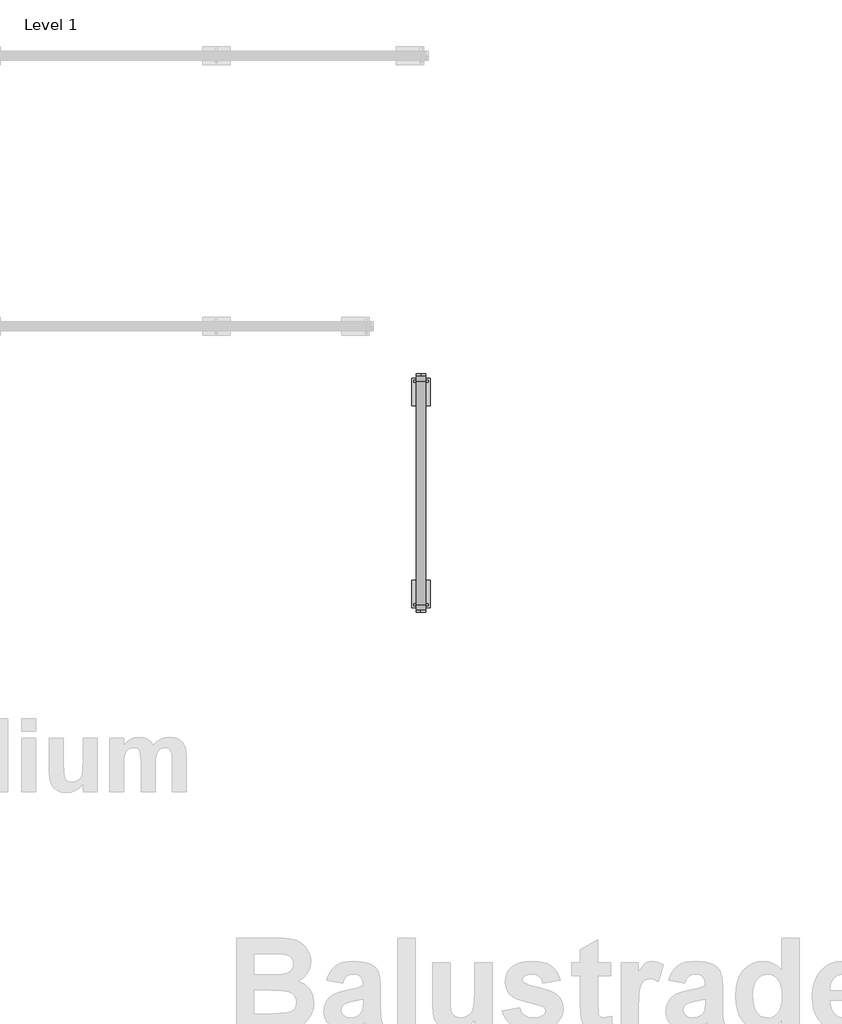
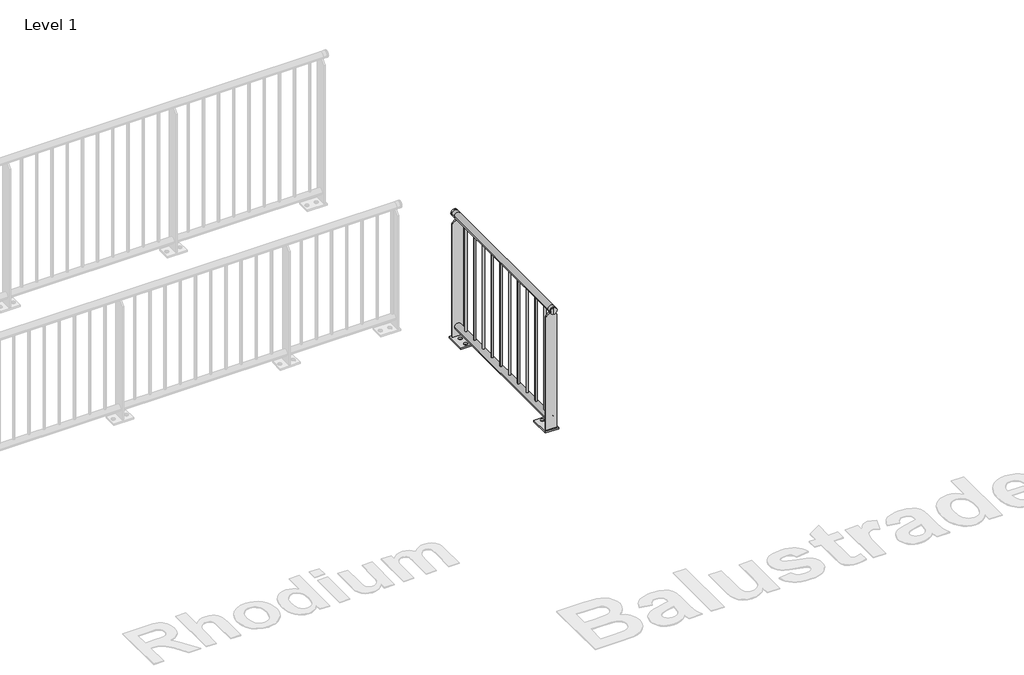
# One storey, part 1 of 20: 1 railing.
"""IFC4 building model written with IfcOpenShell, lengths in millimetres."""

import ifcopenshell
import ifcopenshell.guid

model = None  # the IFC model being written
_history = None  # IfcOwnerHistory: only IFC2X3 demands one
_inside = {}  # id of a spatial element -> (the spatial element, [elements in it])
_under = {}  # id of a project, library or spatial element -> (it, [spatial elements below it])
_declared = {}  # id of a project -> (the project, [libraries it declares])
_typed = {}  # id of a type object -> (the type object, [elements of that type])
_made_of = {}  # id of a material, layer set ... -> (it, [elements and type objects made of it])


def new_model(schema):
    """Start an empty IFC model of exactly this schema.

    Asked for "IFC4X3", IfcOpenShell would pick the latest addendum, in which some entities
    have other attributes; the version numbers below select the first issue.
    IFC2X3 requires an IfcOwnerHistory on every rooted entity: one is made here for all.
    """
    global model, _history
    if schema == "IFC4X3":
        model = ifcopenshell.file(schema_version=(4, 3, 0, 0))
    else:
        model = ifcopenshell.file(schema=schema)
    _inside.clear()
    _under.clear()
    _declared.clear()
    _typed.clear()
    _made_of.clear()
    _history = None
    if model.schema == "IFC2X3":
        org = make("IfcOrganization", Name="unknown")
        user = make(
            "IfcPersonAndOrganization",
            ThePerson=make("IfcPerson", FamilyName="unknown"),
            TheOrganization=org,
        )
        app = make(
            "IfcApplication",
            ApplicationDeveloper=org,
            Version="unknown",
            ApplicationFullName="unknown",
            ApplicationIdentifier="unknown",
        )
        _history = make(
            "IfcOwnerHistory",
            OwningUser=user,
            OwningApplication=app,
            ChangeAction="ADDED",
            CreationDate=0,
        )
    return model


def make(cls, **values):
    """One entity of the class cls with the attributes given. An attribute that is None is left unset."""
    return model.create_entity(
        cls, **{name: value for name, value in values.items() if value is not None}
    )


def rooted(cls, **values):
    """An entity with a GlobalId (a new one), such as an element, a storey or a relation."""
    return make(cls, GlobalId=ifcopenshell.guid.new(), OwnerHistory=_history, **values)


def si_unit(unit_type, name, prefix=None):
    """IfcSIUnit, for example si_unit("LENGTHUNIT", "METRE", prefix="MILLI")."""
    return make("IfcSIUnit", UnitType=unit_type, Prefix=prefix, Name=name)


def assignment(units):
    """IfcUnitAssignment: the units of a project."""
    return None if units is None else make("IfcUnitAssignment", Units=units)


def point(xyz):
    """IfcCartesianPoint."""
    return None if xyz is None else make("IfcCartesianPoint", Coordinates=xyz)


def direction(xyz):
    """IfcDirection."""
    return None if xyz is None else make("IfcDirection", DirectionRatios=xyz)


def frame(location, z_axis=None, x_axis=None):
    """IfcAxis2Placement3D, a coordinate frame: its origin and axes. An axis left out is left unset."""
    return make(
        "IfcAxis2Placement3D",
        Location=point(location),
        Axis=direction(z_axis),
        RefDirection=direction(x_axis),
    )


def frame_2d(location, x_axis=None):
    """IfcAxis2Placement2D, a coordinate frame in the plane: its origin and x axis."""
    return make(
        "IfcAxis2Placement2D", Location=point(location), RefDirection=direction(x_axis)
    )


def origin():
    """The frame at (0, 0, 0) with its axes left unset."""
    return frame((0.0, 0.0, 0.0))


def origin_with_axes():
    """The frame at (0, 0, 0) with the z axis (0, 0, 1) and the x axis (1, 0, 0) written out."""
    return frame((0.0, 0.0, 0.0), z_axis=(0.0, 0.0, 1.0), x_axis=(1.0, 0.0, 0.0))


def place(relative_to, where):
    """IfcLocalPlacement: puts the frame where relative to a parent placement (None: the world)."""
    return make(
        "IfcLocalPlacement", PlacementRelTo=relative_to, RelativePlacement=where
    )


def context(
    kind, dimensions, precision=None, world=None, true_north=None, identifier=None
):
    """IfcGeometricRepresentationContext, for example the 3D "Model" context."""
    return make(
        "IfcGeometricRepresentationContext",
        ContextIdentifier=identifier,
        ContextType=kind,
        CoordinateSpaceDimension=dimensions,
        Precision=precision,
        WorldCoordinateSystem=world,
        TrueNorth=true_north,
    )


def project(units=None, contexts=None):
    """IfcProject with its units and contexts."""
    return rooted(
        "IfcProject",
        Name="project",
        RepresentationContexts=contexts,
        UnitsInContext=assignment(units),
    )


def spatial(cls, under=None, at=None, **own):
    """A site, building, storey or space (cls), placed at a placement, below another one or the project."""
    s = rooted(cls, ObjectPlacement=at, **own)
    if under is not None:
        _under.setdefault(under.id(), (under, []))[1].append(s)
    return s


def polyline(points):
    """IfcPolyline through the points."""
    return make("IfcPolyline", Points=[point(p) for p in points])


def circle_curve(where, radius):
    """IfcCircle in the frame where."""
    return make("IfcCircle", Position=where, Radius=radius)


def trimmed(basis, trim1, trim2, sense, master):
    """IfcTrimmedCurve: the piece of a basis curve between two trims."""
    return make(
        "IfcTrimmedCurve",
        BasisCurve=basis,
        Trim1=trim1,
        Trim2=trim2,
        SenseAgreement=sense,
        MasterRepresentation=master,
    )


def segment(curve, same_sense, transition):
    """IfcCompositeCurveSegment."""
    return make(
        "IfcCompositeCurveSegment",
        Transition=transition,
        SameSense=same_sense,
        ParentCurve=curve,
    )


def composite_curve(segments, self_intersect=None):
    """IfcCompositeCurve: segments joined end to end."""
    return make("IfcCompositeCurve", Segments=segments, SelfIntersect=self_intersect)


def outline(outer, holes=None, kind="AREA"):
    """IfcArbitraryClosedProfileDef: a profile drawn as a closed curve; with holes, ...WithVoids."""
    if holes is None:
        return make("IfcArbitraryClosedProfileDef", ProfileType=kind, OuterCurve=outer)
    return make(
        "IfcArbitraryProfileDefWithVoids",
        ProfileType=kind,
        OuterCurve=outer,
        InnerCurves=holes,
    )


def extrude(swept, where, along, depth):
    """IfcExtrudedAreaSolid: the profile swept, set in the frame where, extruded along a direction by depth."""
    return make(
        "IfcExtrudedAreaSolid",
        SweptArea=swept,
        Position=where,
        ExtrudedDirection=direction(along),
        Depth=depth,
    )


def shape(context_of_items, identifier, shape_type, items):
    """IfcShapeRepresentation: the items that make up one representation, for example the "Body"."""
    return make(
        "IfcShapeRepresentation",
        ContextOfItems=context_of_items,
        RepresentationIdentifier=identifier,
        RepresentationType=shape_type,
        Items=items,
    )


def made_of(thing, what):
    """Note that an element or type object is made of a material, layer set ...; save() writes the relation."""
    if what is not None:
        _made_of.setdefault(what.id(), (what, []))[1].append(thing)
    return thing


def element(
    cls,
    number,
    at=None,
    inside=None,
    cuts=None,
    type_object=None,
    material=None,
    context=None,
    identifier="Body",
    shape_type=None,
    held_by="IfcProductDefinitionShape",
    body=None,
    shapes=None,
    **own,
):
    """One element of the class cls, such as IfcWall. Its Tag is "e" and its number.

    at: its placement. inside: the storey or other place that contains it. cuts: it is an
    opening in that element (IfcRelVoidsElement). A single representation is given by context,
    identifier, shape_type and body (its items); several are given by shapes. held_by: the class
    of the entity that holds the representations. save() writes the other relations.
    """
    e = rooted(cls, Tag="e%d" % number, ObjectPlacement=at, **own)
    if body is not None:
        shapes = [shape(context, identifier, shape_type, body)]
    if shapes is not None:
        e.Representation = make(held_by, Representations=shapes)
    if inside is not None:
        _inside.setdefault(inside.id(), (inside, []))[1].append(e)
    if cuts is not None:
        rooted(
            "IfcRelVoidsElement", RelatingBuildingElement=cuts, RelatedOpeningElement=e
        )
    if type_object is not None:
        _typed.setdefault(type_object.id(), (type_object, []))[1].append(e)
    return made_of(e, material)


def aggregate(whole, parts):
    """IfcRelAggregates: a whole, such as a stair, and the parts it consists of."""
    return rooted("IfcRelAggregates", RelatingObject=whole, RelatedObjects=parts)


def save(model, path):
    """Write the relations noted so far, then the file.

    IfcRelAggregates (storeys below a building ...), IfcRelContainedInSpatialStructure (elements
    in a storey), IfcRelDefinesByType, IfcRelAssociatesMaterial and IfcRelDeclares: one each for
    every whole, place, type object, material and project.
    """
    for whole, parts in _under.values():
        aggregate(whole, parts)
    for where, things in _inside.values():
        rooted(
            "IfcRelContainedInSpatialStructure",
            RelatedElements=things,
            RelatingStructure=where,
        )
    for kind, things in _typed.values():
        rooted("IfcRelDefinesByType", RelatedObjects=things, RelatingType=kind)
    for what, things in _made_of.values():
        rooted("IfcRelAssociatesMaterial", RelatedObjects=things, RelatingMaterial=what)
    for by, libraries in _declared.values():
        rooted("IfcRelDeclares", RelatingContext=by, RelatedDefinitions=libraries)
    model.write(path)


def plane_surface(at):
    """IfcPlane: the flat surface through the origin of the frame at, square to its z axis."""
    return make("IfcPlane", Position=at)


def cylinder_surface(at, radius):
    """IfcCylindricalSurface: all points at the distance radius from the z axis of the frame at."""
    return make("IfcCylindricalSurface", Position=at, Radius=radius)


def advanced_brep(points, edges, surfaces, faces):
    """IfcAdvancedBrep: a solid bounded by faces that lie on surfaces and meet in shared edges.

    An edge is (start, end): straight between two places in points (the first is 0);
    or (start, end, curve); or (start, end, curve, False) where it runs against its curve.
    A face is (place in surfaces, loops), or (place, loops, False) where it looks against
    its surface's normal. A loop lists edges by number (the first is 1), with a minus sign
    where the edge is run from its end to its start. The first loop is the outer one.
    """
    corners = [point(p) for p in points]
    vertices = [make("IfcVertexPoint", VertexGeometry=c) for c in corners]
    made = []
    for start, end, *more in edges:
        made.append(
            make(
                "IfcEdgeCurve",
                EdgeStart=vertices[start],
                EdgeEnd=vertices[end],
                EdgeGeometry=more[0] if more else make("IfcPolyline", Points=[corners[start], corners[end]]),
                SameSense=more[1] if len(more) > 1 else True,
            )
        )
    hull = []
    for where, loops, *sense in faces:
        bounds = []
        for j, loop in enumerate(loops):
            ring = [make("IfcOrientedEdge", EdgeElement=made[abs(k) - 1], Orientation=k > 0) for k in loop]
            bounds.append(
                make(
                    "IfcFaceOuterBound" if j == 0 else "IfcFaceBound",
                    Bound=make("IfcEdgeLoop", EdgeList=ring),
                    Orientation=True,
                )
            )
        hull.append(make("IfcAdvancedFace", Bounds=bounds, FaceSurface=surfaces[where], SameSense=sense[0] if sense else True))
    return make("IfcAdvancedBrep", Outer=make("IfcClosedShell", CfsFaces=hull))


model = new_model("IFC4")

# Units and contexts
model_context = context("Model", 3, world=origin())
ifc_project = project(units=[si_unit("LENGTHUNIT", "METRE", prefix="MILLI")], contexts=[model_context])

# Site, building, storey
site = spatial("IfcSite", under=ifc_project)
building = spatial("IfcBuilding", under=site)
storey = spatial("IfcBuildingStorey", under=building, Name="Level 1", Elevation=0.0)

# Railing
placement = place(None, origin())
element("IfcRailing", 1, at=placement, inside=storey, context=model_context, shape_type="SolidModel", body=[
    advanced_brep(
    [(7260.6479588, -14745.6318854, 975.0), (7260.6479588, -14745.6318854, 1000.0), (7260.6479588, -14745.6318854, 950.0), (7260.6479588, -14755.6318854, 950.0), (7260.6479588, -14755.6318854, 1000.0), (7260.6479588, -14755.6318854, 975.0)],
    [
        (0, 1),
        (1, 2, circle_curve(frame((7260.6479588, -14745.6318854, 975.0), z_axis=(0.0, 1.0, 0.0), x_axis=(0.0, 0.0, 1.0)), 25.0)),
        (2, 0),
        (2, 1, circle_curve(frame((7260.6479588, -14745.6318854, 975.0), z_axis=(0.0, 1.0, 0.0), x_axis=(0.0, 0.0, 1.0)), 25.0)),
        (3, 4, circle_curve(frame((7260.6479588, -14755.6318854, 975.0), z_axis=(0.0, -1.0, 0.0), x_axis=(0.0, 0.0, 1.0)), 25.0)),
        (4, 5),
        (5, 3),
        (4, 3, circle_curve(frame((7260.6479588, -14755.6318854, 975.0), z_axis=(0.0, -1.0, 0.0), x_axis=(0.0, 0.0, 1.0)), 25.0)),
        (1, 4),
        (3, 2),
    ],
    [
        plane_surface(frame((7260.6479588, -14745.6318854, 975.0), z_axis=(0.0, 1.0, 0.0), x_axis=(0.0, 0.0, 1.0))),
        plane_surface(frame((7260.6479588, -14755.6318854, 975.0), z_axis=(0.0, -1.0, 0.0), x_axis=(0.0, 0.0, 1.0))),
        cylinder_surface(frame((7260.6479588, -14730.6318854, 975.0), z_axis=(0.0, 1.0, 0.0), x_axis=(0.0, 0.0, 1.0)), 25.0),
    ],
    [
        (0, [[1, 2, 3]]),
        (0, [[-3, 4, -1]]),
        (1, [[5, 6, 7]]),
        (1, [[8, -7, -6]]),
        (2, [[-2, 9, -5, 10]]),
        (2, [[-4, -10, -8, -9]]),
    ],
),
    advanced_brep(
    [(7260.6479588, -13460.6318854, 975.0), (7260.6479588, -13460.6318854, 1000.0), (7260.6479588, -13460.6318854, 950.0), (7260.6479588, -13450.6318854, 950.0), (7260.6479588, -13450.6318854, 1000.0), (7260.6479588, -13450.6318854, 975.0)],
    [
        (0, 1),
        (1, 2, circle_curve(frame((7260.6479588, -13460.6318854, 975.0), z_axis=(0.0, -1.0, 0.0), x_axis=(0.0, 0.0, 1.0)), 25.0)),
        (2, 0),
        (2, 1, circle_curve(frame((7260.6479588, -13460.6318854, 975.0), z_axis=(0.0, -1.0, 0.0), x_axis=(0.0, 0.0, 1.0)), 25.0)),
        (3, 4, circle_curve(frame((7260.6479588, -13450.6318854, 975.0), z_axis=(0.0, 1.0, 0.0), x_axis=(0.0, 0.0, 1.0)), 25.0)),
        (4, 5),
        (5, 3),
        (4, 3, circle_curve(frame((7260.6479588, -13450.6318854, 975.0), z_axis=(0.0, 1.0, 0.0), x_axis=(0.0, 0.0, 1.0)), 25.0)),
        (1, 4),
        (3, 2),
    ],
    [
        plane_surface(frame((7260.6479588, -13460.6318854, 975.0), z_axis=(0.0, -1.0, 0.0), x_axis=(0.0, 0.0, 1.0))),
        plane_surface(frame((7260.6479588, -13450.6318854, 975.0), z_axis=(0.0, 1.0, 0.0), x_axis=(0.0, 0.0, 1.0))),
        cylinder_surface(frame((7260.6479588, -13475.6318854, 975.0), z_axis=(0.0, -1.0, 0.0), x_axis=(0.0, 0.0, 1.0)), 25.0),
    ],
    [
        (0, [[1, 2, 3]]),
        (0, [[-3, 4, -1]]),
        (1, [[5, 6, 7]]),
        (1, [[8, -7, -6]]),
        (2, [[-2, 9, -5, 10]]),
        (2, [[-4, -10, -8, -9]]),
    ],
),
    advanced_brep(
    [(7235.6479588, -13460.6318854, 975.0), (7285.6479588, -13460.6318854, 975.0), (7235.6479588, -13490.6318854, 975.0), (7285.6479588, -13490.6318854, 975.0), (7235.6479588, -14715.6318854, 975.0), (7285.6479588, -14715.6318854, 975.0), (7235.6479588, -14745.6318854, 975.0), (7285.6479588, -14745.6318854, 975.0)],
    [
        (0, 1, circle_curve(frame((7260.6479588, -13460.6318854, 975.0), z_axis=(0.0, 1.0, 0.0), x_axis=(1.0, 0.0, 0.0)), 25.0)),
        (1, 0, circle_curve(frame((7260.6479588, -13460.6318854, 975.0), z_axis=(0.0, 1.0, 0.0), x_axis=(1.0, 0.0, 0.0)), 25.0)),
        (0, 2),
        (2, 3, circle_curve(frame((7260.6479588, -13490.6318854, 975.0), z_axis=(0.0, 1.0, 0.0), x_axis=(1.0, 0.0, 0.0)), 25.0)),
        (3, 1),
        (3, 2, circle_curve(frame((7260.6479588, -13490.6318854, 975.0), z_axis=(0.0, 1.0, 0.0), x_axis=(1.0, 0.0, 0.0)), 25.0)),
        (2, 4),
        (4, 5, circle_curve(frame((7260.6479588, -14715.6318854, 975.0), z_axis=(0.0, 1.0, 0.0), x_axis=(1.0, 0.0, 0.0)), 25.0)),
        (5, 3),
        (5, 4, circle_curve(frame((7260.6479588, -14715.6318854, 975.0), z_axis=(0.0, 1.0, 0.0), x_axis=(1.0, 0.0, 0.0)), 25.0)),
        (6, 7, circle_curve(frame((7260.6479588, -14745.6318854, 975.0), z_axis=(0.0, -1.0, 0.0), x_axis=(1.0, 0.0, 0.0)), 25.0)),
        (7, 6, circle_curve(frame((7260.6479588, -14745.6318854, 975.0), z_axis=(0.0, -1.0, 0.0), x_axis=(1.0, 0.0, 0.0)), 25.0)),
        (4, 6),
        (7, 5),
    ],
    [
        plane_surface(frame((7260.6479588, -13460.6318854, 1000.0), z_axis=(0.0, 1.0, 0.0), x_axis=(0.0, 0.0, -1.0))),
        cylinder_surface(frame((7260.6479588, -13460.6318854, 975.0), z_axis=(0.0, 1.0, 0.0), x_axis=(1.0, 0.0, 0.0)), 25.0),
        cylinder_surface(frame((7260.6479588, -13490.6318854, 975.0), z_axis=(0.0, 1.0, 0.0), x_axis=(1.0, 0.0, 0.0)), 25.0),
        plane_surface(frame((7260.6479588, -14745.6318854, 1000.0), z_axis=(0.0, -1.0, 0.0), x_axis=(0.0, 0.0, -1.0))),
        cylinder_surface(frame((7260.6479588, -14715.6318854, 975.0), z_axis=(0.0, 1.0, 0.0), x_axis=(1.0, 0.0, 0.0)), 25.0),
    ],
    [
        (0, [[1, 2]]),
        (1, [[-1, 3, 4, 5]]),
        (1, [[-2, -5, 6, -3]]),
        (2, [[-4, 7, 8, 9]]),
        (2, [[-6, -9, 10, -7]]),
        (3, [[11, 12]]),
        (4, [[-8, 13, -12, 14]]),
        (4, [[-10, -14, -11, -13]]),
    ],
),
    extrude(outline(composite_curve([segment(trimmed(circle_curve(frame_2d((90.0, 7260.6479588)), 25.0), [point((90.0, 7285.6479588))], [point((90.0, 7235.6479588))], False, "CARTESIAN"), True, "CONTINUOUS"), segment(trimmed(circle_curve(frame_2d((90.0, 7260.6479588)), 25.0), [point((90.0, 7235.6479588))], [point((90.0, 7285.6479588))], False, "CARTESIAN"), True, "CONTINUOUS")], self_intersect=False)), frame((0.0, -14715.6318854, 0.0), z_axis=(0.0, 1.0, 0.0), x_axis=(0.0, 0.0, 1.0)), (0.0, 0.0, 1.0), 1225.0),
    extrude(outline(composite_curve([segment(trimmed(circle_curve(frame_2d((7260.6479588, -14638.1318854)), 7.5), [point((7268.1479588, -14638.1318854))], [point((7253.1479588, -14638.1318854))], False, "CARTESIAN"), True, "CONTINUOUS"), segment(trimmed(circle_curve(frame_2d((7260.6479588, -14638.1318854)), 7.5), [point((7253.1479588, -14638.1318854))], [point((7268.1479588, -14638.1318854))], False, "CARTESIAN"), True, "CONTINUOUS")], self_intersect=False)), frame((0.0, 0.0, 115.0), z_axis=(0.0, 0.0, 1.0), x_axis=(1.0, 0.0, 0.0)), (0.0, 0.0, 1.0), 835.0),
    extrude(outline(composite_curve([segment(trimmed(circle_curve(frame_2d((7260.6479588, -14523.1318854)), 7.5), [point((7268.1479588, -14523.1318854))], [point((7253.1479588, -14523.1318854))], False, "CARTESIAN"), True, "CONTINUOUS"), segment(trimmed(circle_curve(frame_2d((7260.6479588, -14523.1318854)), 7.5), [point((7253.1479588, -14523.1318854))], [point((7268.1479588, -14523.1318854))], False, "CARTESIAN"), True, "CONTINUOUS")], self_intersect=False)), frame((0.0, 0.0, 115.0), z_axis=(0.0, 0.0, 1.0), x_axis=(1.0, 0.0, 0.0)), (0.0, 0.0, 1.0), 835.0),
    extrude(outline(composite_curve([segment(trimmed(circle_curve(frame_2d((7260.6479588, -14408.1318854)), 7.5), [point((7268.1479588, -14408.1318854))], [point((7253.1479588, -14408.1318854))], False, "CARTESIAN"), True, "CONTINUOUS"), segment(trimmed(circle_curve(frame_2d((7260.6479588, -14408.1318854)), 7.5), [point((7253.1479588, -14408.1318854))], [point((7268.1479588, -14408.1318854))], False, "CARTESIAN"), True, "CONTINUOUS")], self_intersect=False)), frame((0.0, 0.0, 115.0), z_axis=(0.0, 0.0, 1.0), x_axis=(1.0, 0.0, 0.0)), (0.0, 0.0, 1.0), 835.0),
    extrude(outline(composite_curve([segment(trimmed(circle_curve(frame_2d((7260.6479588, -14293.1318854)), 7.5), [point((7268.1479588, -14293.1318854))], [point((7253.1479588, -14293.1318854))], False, "CARTESIAN"), True, "CONTINUOUS"), segment(trimmed(circle_curve(frame_2d((7260.6479588, -14293.1318854)), 7.5), [point((7253.1479588, -14293.1318854))], [point((7268.1479588, -14293.1318854))], False, "CARTESIAN"), True, "CONTINUOUS")], self_intersect=False)), frame((0.0, 0.0, 115.0), z_axis=(0.0, 0.0, 1.0), x_axis=(1.0, 0.0, 0.0)), (0.0, 0.0, 1.0), 835.0),
    extrude(outline(composite_curve([segment(trimmed(circle_curve(frame_2d((7260.6479588, -14178.1318854)), 7.5), [point((7268.1479588, -14178.1318854))], [point((7253.1479588, -14178.1318854))], False, "CARTESIAN"), True, "CONTINUOUS"), segment(trimmed(circle_curve(frame_2d((7260.6479588, -14178.1318854)), 7.5), [point((7253.1479588, -14178.1318854))], [point((7268.1479588, -14178.1318854))], False, "CARTESIAN"), True, "CONTINUOUS")], self_intersect=False)), frame((0.0, 0.0, 115.0), z_axis=(0.0, 0.0, 1.0), x_axis=(1.0, 0.0, 0.0)), (0.0, 0.0, 1.0), 835.0),
    extrude(outline(composite_curve([segment(trimmed(circle_curve(frame_2d((7260.6479588, -14063.1318854)), 7.5), [point((7268.1479588, -14063.1318854))], [point((7253.1479588, -14063.1318854))], False, "CARTESIAN"), True, "CONTINUOUS"), segment(trimmed(circle_curve(frame_2d((7260.6479588, -14063.1318854)), 7.5), [point((7253.1479588, -14063.1318854))], [point((7268.1479588, -14063.1318854))], False, "CARTESIAN"), True, "CONTINUOUS")], self_intersect=False)), frame((0.0, 0.0, 115.0), z_axis=(0.0, 0.0, 1.0), x_axis=(1.0, 0.0, 0.0)), (0.0, 0.0, 1.0), 835.0),
    extrude(outline(composite_curve([segment(trimmed(circle_curve(frame_2d((7260.6479588, -13948.1318854)), 7.5), [point((7268.1479588, -13948.1318854))], [point((7253.1479588, -13948.1318854))], False, "CARTESIAN"), True, "CONTINUOUS"), segment(trimmed(circle_curve(frame_2d((7260.6479588, -13948.1318854)), 7.5), [point((7253.1479588, -13948.1318854))], [point((7268.1479588, -13948.1318854))], False, "CARTESIAN"), True, "CONTINUOUS")], self_intersect=False)), frame((0.0, 0.0, 115.0), z_axis=(0.0, 0.0, 1.0), x_axis=(1.0, 0.0, 0.0)), (0.0, 0.0, 1.0), 835.0),
    extrude(outline(composite_curve([segment(trimmed(circle_curve(frame_2d((7260.6479588, -13833.1318854)), 7.5), [point((7268.1479588, -13833.1318854))], [point((7253.1479588, -13833.1318854))], False, "CARTESIAN"), True, "CONTINUOUS"), segment(trimmed(circle_curve(frame_2d((7260.6479588, -13833.1318854)), 7.5), [point((7253.1479588, -13833.1318854))], [point((7268.1479588, -13833.1318854))], False, "CARTESIAN"), True, "CONTINUOUS")], self_intersect=False)), frame((0.0, 0.0, 115.0), z_axis=(0.0, 0.0, 1.0), x_axis=(1.0, 0.0, 0.0)), (0.0, 0.0, 1.0), 835.0),
    extrude(outline(composite_curve([segment(trimmed(circle_curve(frame_2d((7260.6479588, -13718.1318854)), 7.5), [point((7268.1479588, -13718.1318854))], [point((7253.1479588, -13718.1318854))], False, "CARTESIAN"), True, "CONTINUOUS"), segment(trimmed(circle_curve(frame_2d((7260.6479588, -13718.1318854)), 7.5), [point((7253.1479588, -13718.1318854))], [point((7268.1479588, -13718.1318854))], False, "CARTESIAN"), True, "CONTINUOUS")], self_intersect=False)), frame((0.0, 0.0, 115.0), z_axis=(0.0, 0.0, 1.0), x_axis=(1.0, 0.0, 0.0)), (0.0, 0.0, 1.0), 835.0),
    extrude(outline(composite_curve([segment(trimmed(circle_curve(frame_2d((7260.6479588, -13603.1318854)), 7.5), [point((7268.1479588, -13603.1318854))], [point((7253.1479588, -13603.1318854))], False, "CARTESIAN"), True, "CONTINUOUS"), segment(trimmed(circle_curve(frame_2d((7260.6479588, -13603.1318854)), 7.5), [point((7253.1479588, -13603.1318854))], [point((7268.1479588, -13603.1318854))], False, "CARTESIAN"), True, "CONTINUOUS")], self_intersect=False)), frame((0.0, 0.0, 115.0), z_axis=(0.0, 0.0, 1.0), x_axis=(1.0, 0.0, 0.0)), (0.0, 0.0, 1.0), 835.0),
    extrude(outline(polyline([(12.0, 7220.6479588), (12.0, 7300.6479588), (917.5, 7300.6479588), (950.0, 7268.1479588), (950.0, 7253.1479588), (917.5, 7220.6479588), (12.0, 7220.6479588)])), frame((0.0, -14721.6318854, 0.0), z_axis=(0.0, 1.0, 0.0), x_axis=(0.0, 0.0, 1.0)), (0.0, 0.0, 1.0), 12.0),
    extrude(outline(polyline([(7310.6479588, -14581.6318854), (7310.6479588, -14731.6318854), (7210.6479588, -14731.6318854), (7210.6479588, -14581.6318854), (7310.6479588, -14581.6318854)]), holes=[composite_curve([segment(trimmed(circle_curve(frame_2d((7260.6479588, -14606.6318854)), 13.5), [point((7247.1479588, -14606.6318854))], [point((7274.1479588, -14606.6318854))], True, "CARTESIAN"), True, "CONTINUOUS"), segment(trimmed(circle_curve(frame_2d((7260.6479588, -14606.6318854)), 13.5), [point((7274.1479588, -14606.6318854))], [point((7247.1479588, -14606.6318854))], True, "CARTESIAN"), True, "CONTINUOUS")], self_intersect=False), composite_curve([segment(trimmed(circle_curve(frame_2d((7260.6479588, -14676.6318854)), 13.5), [point((7247.1479588, -14676.6318854))], [point((7274.1479588, -14676.6318854))], True, "CARTESIAN"), True, "CONTINUOUS"), segment(trimmed(circle_curve(frame_2d((7260.6479588, -14676.6318854)), 13.5), [point((7274.1479588, -14676.6318854))], [point((7247.1479588, -14676.6318854))], True, "CARTESIAN"), True, "CONTINUOUS")], self_intersect=False)]), origin_with_axes(), (0.0, 0.0, 1.0), 12.0),
    extrude(outline(polyline([(12.0, 7220.6479588), (12.0, 7300.6479588), (917.5, 7300.6479588), (950.0, 7268.1479588), (950.0, 7253.1479588), (917.5, 7220.6479588), (12.0, 7220.6479588)])), frame((0.0, -13496.6318854, 0.0), z_axis=(0.0, 1.0, 0.0), x_axis=(0.0, 0.0, 1.0)), (0.0, 0.0, 1.0), 12.0),
    extrude(outline(polyline([(7310.6479588, -13474.6318854), (7310.6479588, -13624.6318854), (7210.6479588, -13624.6318854), (7210.6479588, -13474.6318854), (7310.6479588, -13474.6318854)]), holes=[composite_curve([segment(trimmed(circle_curve(frame_2d((7260.6479588, -13529.6318854)), 13.5), [point((7247.1479588, -13529.6318854))], [point((7274.1479588, -13529.6318854))], True, "CARTESIAN"), True, "CONTINUOUS"), segment(trimmed(circle_curve(frame_2d((7260.6479588, -13529.6318854)), 13.5), [point((7274.1479588, -13529.6318854))], [point((7247.1479588, -13529.6318854))], True, "CARTESIAN"), True, "CONTINUOUS")], self_intersect=False), composite_curve([segment(trimmed(circle_curve(frame_2d((7260.6479588, -13599.6318854)), 13.5), [point((7247.1479588, -13599.6318854))], [point((7274.1479588, -13599.6318854))], True, "CARTESIAN"), True, "CONTINUOUS"), segment(trimmed(circle_curve(frame_2d((7260.6479588, -13599.6318854)), 13.5), [point((7274.1479588, -13599.6318854))], [point((7247.1479588, -13599.6318854))], True, "CARTESIAN"), True, "CONTINUOUS")], self_intersect=False)]), origin_with_axes(), (0.0, 0.0, 1.0), 12.0),
])

save(model, "model.ifc")
